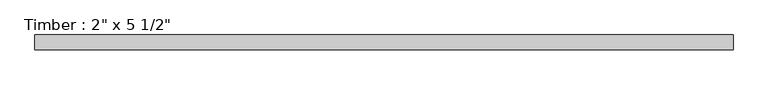
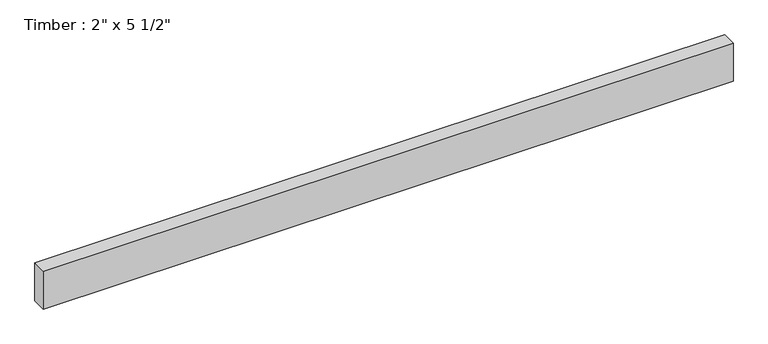
"""IFC4 building model written with IfcOpenShell, lengths in millimetres: beam geometry."""

import ifcopenshell
import ifcopenshell.guid

model = None  # the IFC model being written
_history = None  # IfcOwnerHistory: only IFC2X3 demands one
_inside = {}  # id of a spatial element -> (the spatial element, [elements in it])
_under = {}  # id of a project, library or spatial element -> (it, [spatial elements below it])
_declared = {}  # id of a project -> (the project, [libraries it declares])
_typed = {}  # id of a type object -> (the type object, [elements of that type])
_made_of = {}  # id of a material, layer set ... -> (it, [elements and type objects made of it])


def new_model(schema):
    """Start an empty IFC model of exactly this schema.

    Asked for "IFC4X3", IfcOpenShell would pick the latest addendum, in which some entities
    have other attributes; the version numbers below select the first issue.
    IFC2X3 requires an IfcOwnerHistory on every rooted entity: one is made here for all.
    """
    global model, _history
    if schema == "IFC4X3":
        model = ifcopenshell.file(schema_version=(4, 3, 0, 0))
    else:
        model = ifcopenshell.file(schema=schema)
    _inside.clear()
    _under.clear()
    _declared.clear()
    _typed.clear()
    _made_of.clear()
    _history = None
    if model.schema == "IFC2X3":
        org = make("IfcOrganization", Name="unknown")
        user = make(
            "IfcPersonAndOrganization",
            ThePerson=make("IfcPerson", FamilyName="unknown"),
            TheOrganization=org,
        )
        app = make(
            "IfcApplication",
            ApplicationDeveloper=org,
            Version="unknown",
            ApplicationFullName="unknown",
            ApplicationIdentifier="unknown",
        )
        _history = make(
            "IfcOwnerHistory",
            OwningUser=user,
            OwningApplication=app,
            ChangeAction="ADDED",
            CreationDate=0,
        )
    return model


def make(cls, **values):
    """One entity of the class cls with the attributes given. An attribute that is None is left unset."""
    return model.create_entity(
        cls, **{name: value for name, value in values.items() if value is not None}
    )


def rooted(cls, **values):
    """An entity with a GlobalId (a new one), such as an element, a storey or a relation."""
    return make(cls, GlobalId=ifcopenshell.guid.new(), OwnerHistory=_history, **values)


def si_unit(unit_type, name, prefix=None):
    """IfcSIUnit, for example si_unit("LENGTHUNIT", "METRE", prefix="MILLI")."""
    return make("IfcSIUnit", UnitType=unit_type, Prefix=prefix, Name=name)


def assignment(units):
    """IfcUnitAssignment: the units of a project."""
    return None if units is None else make("IfcUnitAssignment", Units=units)


def point(xyz):
    """IfcCartesianPoint."""
    return None if xyz is None else make("IfcCartesianPoint", Coordinates=xyz)


def direction(xyz):
    """IfcDirection."""
    return None if xyz is None else make("IfcDirection", DirectionRatios=xyz)


def frame(location, z_axis=None, x_axis=None):
    """IfcAxis2Placement3D, a coordinate frame: its origin and axes. An axis left out is left unset."""
    return make(
        "IfcAxis2Placement3D",
        Location=point(location),
        Axis=direction(z_axis),
        RefDirection=direction(x_axis),
    )


def origin():
    """The frame at (0, 0, 0) with its axes left unset."""
    return frame((0.0, 0.0, 0.0))


def place(relative_to, where):
    """IfcLocalPlacement: puts the frame where relative to a parent placement (None: the world)."""
    return make(
        "IfcLocalPlacement", PlacementRelTo=relative_to, RelativePlacement=where
    )


def context(
    kind, dimensions, precision=None, world=None, true_north=None, identifier=None
):
    """IfcGeometricRepresentationContext, for example the 3D "Model" context."""
    return make(
        "IfcGeometricRepresentationContext",
        ContextIdentifier=identifier,
        ContextType=kind,
        CoordinateSpaceDimension=dimensions,
        Precision=precision,
        WorldCoordinateSystem=world,
        TrueNorth=true_north,
    )


def project(units=None, contexts=None):
    """IfcProject with its units and contexts."""
    return rooted(
        "IfcProject",
        Name="project",
        RepresentationContexts=contexts,
        UnitsInContext=assignment(units),
    )


def spatial(cls, under=None, at=None, **own):
    """A site, building, storey or space (cls), placed at a placement, below another one or the project."""
    s = rooted(cls, ObjectPlacement=at, **own)
    if under is not None:
        _under.setdefault(under.id(), (under, []))[1].append(s)
    return s


def polyline(points):
    """IfcPolyline through the points."""
    return make("IfcPolyline", Points=[point(p) for p in points])


def outline(outer, holes=None, kind="AREA"):
    """IfcArbitraryClosedProfileDef: a profile drawn as a closed curve; with holes, ...WithVoids."""
    if holes is None:
        return make("IfcArbitraryClosedProfileDef", ProfileType=kind, OuterCurve=outer)
    return make(
        "IfcArbitraryProfileDefWithVoids",
        ProfileType=kind,
        OuterCurve=outer,
        InnerCurves=holes,
    )


def extrude(swept, where, along, depth):
    """IfcExtrudedAreaSolid: the profile swept, set in the frame where, extruded along a direction by depth."""
    return make(
        "IfcExtrudedAreaSolid",
        SweptArea=swept,
        Position=where,
        ExtrudedDirection=direction(along),
        Depth=depth,
    )


def shape(context_of_items, identifier, shape_type, items):
    """IfcShapeRepresentation: the items that make up one representation, for example the "Body"."""
    return make(
        "IfcShapeRepresentation",
        ContextOfItems=context_of_items,
        RepresentationIdentifier=identifier,
        RepresentationType=shape_type,
        Items=items,
    )


def source(mapping_origin, context_of_items, identifier, shape_type, items):
    """IfcRepresentationMap: a shape defined once, which mapped items show again and again."""
    return make(
        "IfcRepresentationMap",
        MappingOrigin=mapping_origin,
        MappedRepresentation=shape(context_of_items, identifier, shape_type, items),
    )


def transform(
    local_origin,
    x_axis=None,
    y_axis=None,
    z_axis=None,
    scale=None,
    scale2=None,
    scale3=None,
    uniform=True,
):
    """IfcCartesianTransformationOperator3D, or its non-uniform kind. x_axis, y_axis, z_axis: its Axis1, 2, 3."""
    if uniform:
        return make(
            "IfcCartesianTransformationOperator3D",
            Axis1=direction(x_axis),
            Axis2=direction(y_axis),
            LocalOrigin=point(local_origin),
            Scale=scale,
            Axis3=direction(z_axis),
        )
    return make(
        "IfcCartesianTransformationOperator3DnonUniform",
        Axis1=direction(x_axis),
        Axis2=direction(y_axis),
        LocalOrigin=point(local_origin),
        Scale=scale,
        Axis3=direction(z_axis),
        Scale2=scale2,
        Scale3=scale3,
    )


def mapped(mapping_source, mapping_target):
    """IfcMappedItem: shows the shape of a source again, moved by a transform."""
    return make(
        "IfcMappedItem", MappingSource=mapping_source, MappingTarget=mapping_target
    )


def made_of(thing, what):
    """Note that an element or type object is made of a material, layer set ...; save() writes the relation."""
    if what is not None:
        _made_of.setdefault(what.id(), (what, []))[1].append(thing)
    return thing


def element(
    cls,
    number,
    at=None,
    inside=None,
    cuts=None,
    type_object=None,
    material=None,
    context=None,
    identifier="Body",
    shape_type=None,
    held_by="IfcProductDefinitionShape",
    body=None,
    shapes=None,
    **own,
):
    """One element of the class cls, such as IfcWall. Its Tag is "e" and its number.

    at: its placement. inside: the storey or other place that contains it. cuts: it is an
    opening in that element (IfcRelVoidsElement). A single representation is given by context,
    identifier, shape_type and body (its items); several are given by shapes. held_by: the class
    of the entity that holds the representations. save() writes the other relations.
    """
    e = rooted(cls, Tag="e%d" % number, ObjectPlacement=at, **own)
    if body is not None:
        shapes = [shape(context, identifier, shape_type, body)]
    if shapes is not None:
        e.Representation = make(held_by, Representations=shapes)
    if inside is not None:
        _inside.setdefault(inside.id(), (inside, []))[1].append(e)
    if cuts is not None:
        rooted(
            "IfcRelVoidsElement", RelatingBuildingElement=cuts, RelatedOpeningElement=e
        )
    if type_object is not None:
        _typed.setdefault(type_object.id(), (type_object, []))[1].append(e)
    return made_of(e, material)


def aggregate(whole, parts):
    """IfcRelAggregates: a whole, such as a stair, and the parts it consists of."""
    return rooted("IfcRelAggregates", RelatingObject=whole, RelatedObjects=parts)


def save(model, path):
    """Write the relations noted so far, then the file.

    IfcRelAggregates (storeys below a building ...), IfcRelContainedInSpatialStructure (elements
    in a storey), IfcRelDefinesByType, IfcRelAssociatesMaterial and IfcRelDeclares: one each for
    every whole, place, type object, material and project.
    """
    for whole, parts in _under.values():
        aggregate(whole, parts)
    for where, things in _inside.values():
        rooted(
            "IfcRelContainedInSpatialStructure",
            RelatedElements=things,
            RelatingStructure=where,
        )
    for kind, things in _typed.values():
        rooted("IfcRelDefinesByType", RelatedObjects=things, RelatingType=kind)
    for what, things in _made_of.values():
        rooted("IfcRelAssociatesMaterial", RelatedObjects=things, RelatingMaterial=what)
    for by, libraries in _declared.values():
        rooted("IfcRelDeclares", RelatingContext=by, RelatedDefinitions=libraries)
    model.write(path)


def beam_6268bc80(model_context):
    return source(origin(), model_context, "Body", "SweptSolid", [
        extrude(outline(polyline([(1204.126201, 25.4), (1204.126201, -25.4), (-1204.556276, -25.4), (-1204.556276, 25.4), (1204.126201, 25.4)])), frame((0.0, 0.0, -69.85), z_axis=(0.0, 0.0, 1.0), x_axis=(1.0, 0.0, 0.0)), (0.0, 0.0, 1.0), 139.7),
    ])


if __name__ == "__main__":
    model = new_model("IFC4")
    model_context = context("Model", 3, world=origin())
    ifc_project = project(units=[si_unit("LENGTHUNIT", "METRE", prefix="MILLI")], contexts=[model_context])
    site = spatial("IfcSite", under=ifc_project)
    building = spatial("IfcBuilding", under=site)
    placement = place(None, origin())
    beam_shape = beam_6268bc80(model_context)
    element("IfcBeam", 1, ObjectType="Timber : 2\" x 5 1/2\"", at=placement, inside=building, context=model_context, shape_type="MappedRepresentation", body=[
        mapped(beam_shape, transform((0.0, 0.0, 0.0), x_axis=(1.0, 0.0, 0.0), y_axis=(0.0, 1.0, 0.0), z_axis=(0.0, 0.0, 1.0))),
    ])
    save(model, "model.ifc")
